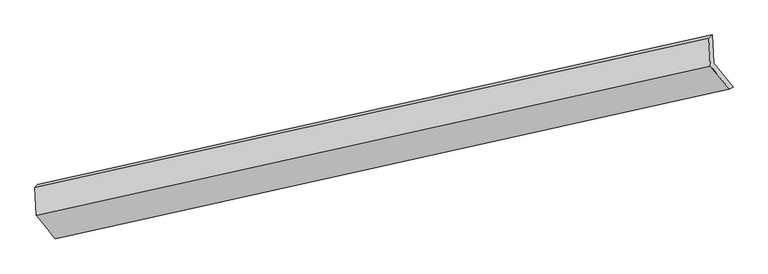
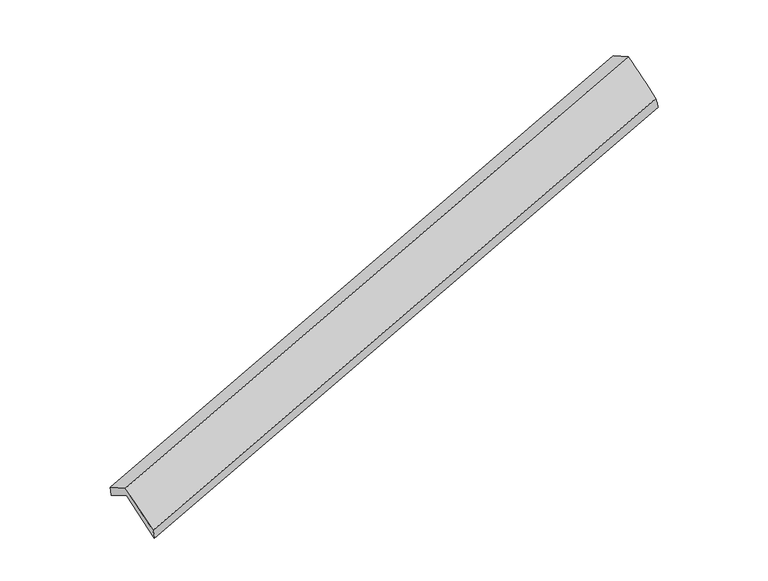
"""IFC4 building model written with IfcOpenShell, lengths in millimetres: proxy geometry."""

import ifcopenshell
import ifcopenshell.guid

model = None  # the IFC model being written
_history = None  # IfcOwnerHistory: only IFC2X3 demands one
_inside = {}  # id of a spatial element -> (the spatial element, [elements in it])
_under = {}  # id of a project, library or spatial element -> (it, [spatial elements below it])
_declared = {}  # id of a project -> (the project, [libraries it declares])
_typed = {}  # id of a type object -> (the type object, [elements of that type])
_made_of = {}  # id of a material, layer set ... -> (it, [elements and type objects made of it])


def new_model(schema):
    """Start an empty IFC model of exactly this schema.

    Asked for "IFC4X3", IfcOpenShell would pick the latest addendum, in which some entities
    have other attributes; the version numbers below select the first issue.
    IFC2X3 requires an IfcOwnerHistory on every rooted entity: one is made here for all.
    """
    global model, _history
    if schema == "IFC4X3":
        model = ifcopenshell.file(schema_version=(4, 3, 0, 0))
    else:
        model = ifcopenshell.file(schema=schema)
    _inside.clear()
    _under.clear()
    _declared.clear()
    _typed.clear()
    _made_of.clear()
    _history = None
    if model.schema == "IFC2X3":
        org = make("IfcOrganization", Name="unknown")
        user = make(
            "IfcPersonAndOrganization",
            ThePerson=make("IfcPerson", FamilyName="unknown"),
            TheOrganization=org,
        )
        app = make(
            "IfcApplication",
            ApplicationDeveloper=org,
            Version="unknown",
            ApplicationFullName="unknown",
            ApplicationIdentifier="unknown",
        )
        _history = make(
            "IfcOwnerHistory",
            OwningUser=user,
            OwningApplication=app,
            ChangeAction="ADDED",
            CreationDate=0,
        )
    return model


def make(cls, **values):
    """One entity of the class cls with the attributes given. An attribute that is None is left unset."""
    return model.create_entity(
        cls, **{name: value for name, value in values.items() if value is not None}
    )


def rooted(cls, **values):
    """An entity with a GlobalId (a new one), such as an element, a storey or a relation."""
    return make(cls, GlobalId=ifcopenshell.guid.new(), OwnerHistory=_history, **values)


def si_unit(unit_type, name, prefix=None):
    """IfcSIUnit, for example si_unit("LENGTHUNIT", "METRE", prefix="MILLI")."""
    return make("IfcSIUnit", UnitType=unit_type, Prefix=prefix, Name=name)


def assignment(units):
    """IfcUnitAssignment: the units of a project."""
    return None if units is None else make("IfcUnitAssignment", Units=units)


def point(xyz):
    """IfcCartesianPoint."""
    return None if xyz is None else make("IfcCartesianPoint", Coordinates=xyz)


def direction(xyz):
    """IfcDirection."""
    return None if xyz is None else make("IfcDirection", DirectionRatios=xyz)


def frame(location, z_axis=None, x_axis=None):
    """IfcAxis2Placement3D, a coordinate frame: its origin and axes. An axis left out is left unset."""
    return make(
        "IfcAxis2Placement3D",
        Location=point(location),
        Axis=direction(z_axis),
        RefDirection=direction(x_axis),
    )


def origin():
    """The frame at (0, 0, 0) with its axes left unset."""
    return frame((0.0, 0.0, 0.0))


def place(relative_to, where):
    """IfcLocalPlacement: puts the frame where relative to a parent placement (None: the world)."""
    return make(
        "IfcLocalPlacement", PlacementRelTo=relative_to, RelativePlacement=where
    )


def context(
    kind, dimensions, precision=None, world=None, true_north=None, identifier=None
):
    """IfcGeometricRepresentationContext, for example the 3D "Model" context."""
    return make(
        "IfcGeometricRepresentationContext",
        ContextIdentifier=identifier,
        ContextType=kind,
        CoordinateSpaceDimension=dimensions,
        Precision=precision,
        WorldCoordinateSystem=world,
        TrueNorth=true_north,
    )


def project(units=None, contexts=None):
    """IfcProject with its units and contexts."""
    return rooted(
        "IfcProject",
        Name="project",
        RepresentationContexts=contexts,
        UnitsInContext=assignment(units),
    )


def spatial(cls, under=None, at=None, **own):
    """A site, building, storey or space (cls), placed at a placement, below another one or the project."""
    s = rooted(cls, ObjectPlacement=at, **own)
    if under is not None:
        _under.setdefault(under.id(), (under, []))[1].append(s)
    return s


def shape(context_of_items, identifier, shape_type, items):
    """IfcShapeRepresentation: the items that make up one representation, for example the "Body"."""
    return make(
        "IfcShapeRepresentation",
        ContextOfItems=context_of_items,
        RepresentationIdentifier=identifier,
        RepresentationType=shape_type,
        Items=items,
    )


def source(mapping_origin, context_of_items, identifier, shape_type, items):
    """IfcRepresentationMap: a shape defined once, which mapped items show again and again."""
    return make(
        "IfcRepresentationMap",
        MappingOrigin=mapping_origin,
        MappedRepresentation=shape(context_of_items, identifier, shape_type, items),
    )


def transform(
    local_origin,
    x_axis=None,
    y_axis=None,
    z_axis=None,
    scale=None,
    scale2=None,
    scale3=None,
    uniform=True,
):
    """IfcCartesianTransformationOperator3D, or its non-uniform kind. x_axis, y_axis, z_axis: its Axis1, 2, 3."""
    if uniform:
        return make(
            "IfcCartesianTransformationOperator3D",
            Axis1=direction(x_axis),
            Axis2=direction(y_axis),
            LocalOrigin=point(local_origin),
            Scale=scale,
            Axis3=direction(z_axis),
        )
    return make(
        "IfcCartesianTransformationOperator3DnonUniform",
        Axis1=direction(x_axis),
        Axis2=direction(y_axis),
        LocalOrigin=point(local_origin),
        Scale=scale,
        Axis3=direction(z_axis),
        Scale2=scale2,
        Scale3=scale3,
    )


def mapped(mapping_source, mapping_target):
    """IfcMappedItem: shows the shape of a source again, moved by a transform."""
    return make(
        "IfcMappedItem", MappingSource=mapping_source, MappingTarget=mapping_target
    )


def made_of(thing, what):
    """Note that an element or type object is made of a material, layer set ...; save() writes the relation."""
    if what is not None:
        _made_of.setdefault(what.id(), (what, []))[1].append(thing)
    return thing


def element(
    cls,
    number,
    at=None,
    inside=None,
    cuts=None,
    type_object=None,
    material=None,
    context=None,
    identifier="Body",
    shape_type=None,
    held_by="IfcProductDefinitionShape",
    body=None,
    shapes=None,
    **own,
):
    """One element of the class cls, such as IfcWall. Its Tag is "e" and its number.

    at: its placement. inside: the storey or other place that contains it. cuts: it is an
    opening in that element (IfcRelVoidsElement). A single representation is given by context,
    identifier, shape_type and body (its items); several are given by shapes. held_by: the class
    of the entity that holds the representations. save() writes the other relations.
    """
    e = rooted(cls, Tag="e%d" % number, ObjectPlacement=at, **own)
    if body is not None:
        shapes = [shape(context, identifier, shape_type, body)]
    if shapes is not None:
        e.Representation = make(held_by, Representations=shapes)
    if inside is not None:
        _inside.setdefault(inside.id(), (inside, []))[1].append(e)
    if cuts is not None:
        rooted(
            "IfcRelVoidsElement", RelatingBuildingElement=cuts, RelatedOpeningElement=e
        )
    if type_object is not None:
        _typed.setdefault(type_object.id(), (type_object, []))[1].append(e)
    return made_of(e, material)


def aggregate(whole, parts):
    """IfcRelAggregates: a whole, such as a stair, and the parts it consists of."""
    return rooted("IfcRelAggregates", RelatingObject=whole, RelatedObjects=parts)


def save(model, path):
    """Write the relations noted so far, then the file.

    IfcRelAggregates (storeys below a building ...), IfcRelContainedInSpatialStructure (elements
    in a storey), IfcRelDefinesByType, IfcRelAssociatesMaterial and IfcRelDeclares: one each for
    every whole, place, type object, material and project.
    """
    for whole, parts in _under.values():
        aggregate(whole, parts)
    for where, things in _inside.values():
        rooted(
            "IfcRelContainedInSpatialStructure",
            RelatedElements=things,
            RelatingStructure=where,
        )
    for kind, things in _typed.values():
        rooted("IfcRelDefinesByType", RelatedObjects=things, RelatingType=kind)
    for what, things in _made_of.values():
        rooted("IfcRelAssociatesMaterial", RelatedObjects=things, RelatingMaterial=what)
    for by, libraries in _declared.values():
        rooted("IfcRelDeclares", RelatingContext=by, RelatedDefinitions=libraries)
    model.write(path)


def plane_surface(at):
    """IfcPlane: the flat surface through the origin of the frame at, square to its z axis."""
    return make("IfcPlane", Position=at)


def spline_surface(u_degree, v_degree, points, u_multiplicities, v_multiplicities, u_knots, v_knots, weights=None):
    """IfcBSplineSurfaceWithKnots; with weights, IfcRationalBSplineSurfaceWithKnots. points: one row for each step in u."""
    own = dict(
        UDegree=u_degree,
        VDegree=v_degree,
        ControlPointsList=[[point(p) for p in row] for row in points],
        SurfaceForm="UNSPECIFIED",
        UClosed=False,
        VClosed=False,
        SelfIntersect=False,
        UMultiplicities=u_multiplicities,
        VMultiplicities=v_multiplicities,
        UKnots=u_knots,
        VKnots=v_knots,
        KnotSpec="UNSPECIFIED",
    )
    if weights is None:
        return make("IfcBSplineSurfaceWithKnots", **own)
    return make("IfcRationalBSplineSurfaceWithKnots", WeightsData=weights, **own)


def advanced_brep(points, edges, surfaces, faces):
    """IfcAdvancedBrep: a solid bounded by faces that lie on surfaces and meet in shared edges.

    An edge is (start, end): straight between two places in points (the first is 0);
    or (start, end, curve); or (start, end, curve, False) where it runs against its curve.
    A face is (place in surfaces, loops), or (place, loops, False) where it looks against
    its surface's normal. A loop lists edges by number (the first is 1), with a minus sign
    where the edge is run from its end to its start. The first loop is the outer one.
    """
    corners = [point(p) for p in points]
    vertices = [make("IfcVertexPoint", VertexGeometry=c) for c in corners]
    made = []
    for start, end, *more in edges:
        made.append(
            make(
                "IfcEdgeCurve",
                EdgeStart=vertices[start],
                EdgeEnd=vertices[end],
                EdgeGeometry=more[0] if more else make("IfcPolyline", Points=[corners[start], corners[end]]),
                SameSense=more[1] if len(more) > 1 else True,
            )
        )
    hull = []
    for where, loops, *sense in faces:
        bounds = []
        for j, loop in enumerate(loops):
            ring = [make("IfcOrientedEdge", EdgeElement=made[abs(k) - 1], Orientation=k > 0) for k in loop]
            bounds.append(
                make(
                    "IfcFaceOuterBound" if j == 0 else "IfcFaceBound",
                    Bound=make("IfcEdgeLoop", EdgeList=ring),
                    Orientation=True,
                )
            )
        hull.append(make("IfcAdvancedFace", Bounds=bounds, FaceSurface=surfaces[where], SameSense=sense[0] if sense else True))
    return make("IfcAdvancedBrep", Outer=make("IfcClosedShell", CfsFaces=hull))


def generic_models_7974af52(model_context):
    return source(origin(), model_context, "Body", "AdvancedBrep", [
        advanced_brep(
        [(-7512.5472195, -2526.6439467, 704.207151), (-7532.8522765, -2141.4392029, 491.8457812), (1654.1880182, -101.8251459, 3316.7833843), (1674.4930751, -487.0298897, 3529.1447541), (-7575.349734, -2183.5411124, 661.7534738), (1611.0333603, -144.0730673, 3486.4890629), (-7555.2280136, -2565.2678014, 872.1974102), (1631.1550807, -525.7997563, 3696.9329992), (-7300.2940748, -2885.1709428, 267.5457455), (1889.5879409, -844.9255333, 3093.3568534), (-7257.0223891, -2847.2885667, 98.1540112), (1940.6050701, -815.6382451, 2907.6338048)],
        [
            (0, 1),
            (1, 2),
            (2, 3),
            (3, 0),
            (1, 4),
            (4, 5),
            (5, 2),
            (4, 6),
            (6, 7),
            (7, 5),
            (6, 8),
            (8, 9),
            (9, 7),
            (8, 10),
            (10, 11),
            (11, 9),
            (10, 0),
            (3, 11),
        ],
        [
            plane_surface(frame((-7522.699748, -2334.0415748, 598.0264661), z_axis=(0.35162565216210007, -0.4376757666911262, -0.8275260261725386), x_axis=(-0.0461130538208586, 0.8748050860030747, -0.4822754894979298))),
            spline_surface(1, 1, [[(-7532.8522765, -2141.4392029, 491.8457812), (1654.1880182, -101.8251459, 3316.7833843)], [(-7575.349734, -2183.5411124, 661.7534738), (1611.0333603, -144.0730673, 3486.4890629)]], [2, 2], [2, 2], [0.0, 1.0], [0.0, 1.0]),
            plane_surface(frame((-7565.2888738, -2374.4044569, 766.975442), z_axis=(-0.351625653183585, 0.4376757664642547, 0.827526025858489), x_axis=(0.046113053820829385, -0.8748050860030326, 0.4822754894980087))),
            spline_surface(1, 1, [[(-7555.2280136, -2565.2678014, 872.1974102), (1631.1550807, -525.7997563, 3696.9329992)], [(-7300.2940748, -2885.1709428, 267.5457455), (1889.5879409, -844.9255333, 3093.3568534)]], [2, 2], [2, 2], [0.0, 1.0], [0.0, 1.0]),
            spline_surface(1, 1, [[(-7300.2940748, -2885.1709428, 267.5457455), (1889.5879409, -844.9255333, 3093.3568534)], [(-7257.0223891, -2847.2885667, 98.1540112), (1940.6050701, -815.6382451, 2907.6338048)]], [2, 2], [2, 2], [0.0, 1.0], [0.0, 1.0]),
            spline_surface(1, 1, [[(-7257.0223891, -2847.2885667, 98.1540112), (1940.6050701, -815.6382451, 2907.6338048)], [(-7512.5472195, -2526.6439467, 704.207151), (1674.4930751, -487.0298897, 3529.1447541)]], [2, 2], [2, 2], [0.0, 1.0], [0.0, 1.0]),
            plane_surface(frame((1733.5104242, -486.5486063, 3338.3901431), z_axis=(0.9341053829548817, 0.2088545990849403, 0.2895287377373494), x_axis=(0.2618724742673637, 0.15033254043895308, -0.9533220518304711))),
            plane_surface(frame((-7455.5489512, -2524.8919288, 515.9505955), z_axis=(-0.9359077561278691, -0.20661104032442656, -0.28528678559610054), x_axis=(0.34921377161707484, -0.43820992631286715, -0.8282643311128696))),
        ],
        [
            (0, [[1, 2, 3, 4]]),
            (1, [[5, 6, 7, -2]]),
            (2, [[8, 9, 10, -6]]),
            (3, [[11, 12, 13, -9]]),
            (4, [[14, 15, 16, -12]]),
            (5, [[17, -4, 18, -15]]),
            (6, [[-16, -18, -3, -7, -10, -13]]),
            (7, [[-17, -14, -11, -8, -5, -1]]),
        ],
    ),
    ])


if __name__ == "__main__":
    model = new_model("IFC4")
    model_context = context("Model", 3, world=origin())
    ifc_project = project(units=[si_unit("LENGTHUNIT", "METRE", prefix="MILLI")], contexts=[model_context])
    site = spatial("IfcSite", under=ifc_project)
    building = spatial("IfcBuilding", under=site)
    placement = place(None, origin())
    generic_models_shape = generic_models_7974af52(model_context)
    element("IfcBuildingElementProxy", 1, Name="Generic Models", at=placement, inside=building, context=model_context, shape_type="MappedRepresentation", body=[
        mapped(generic_models_shape, transform((0.0, 0.0, 0.0), x_axis=(1.0, 0.0, 0.0), y_axis=(0.0, 1.0, 0.0), z_axis=(0.0, 0.0, 1.0))),
    ])
    save(model, "model.ifc")
